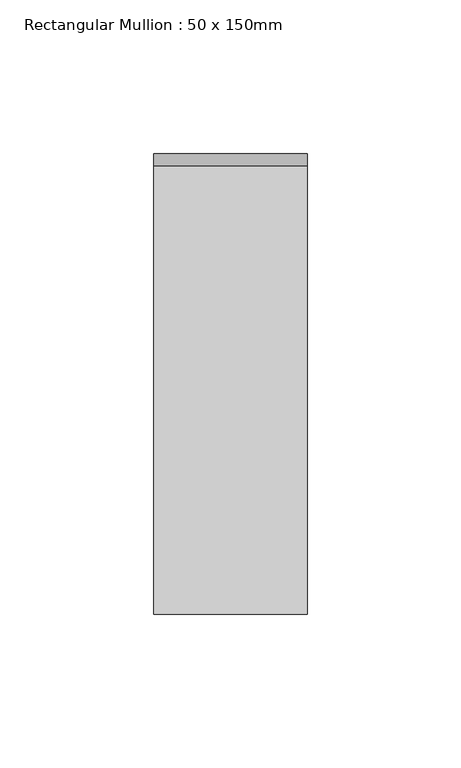
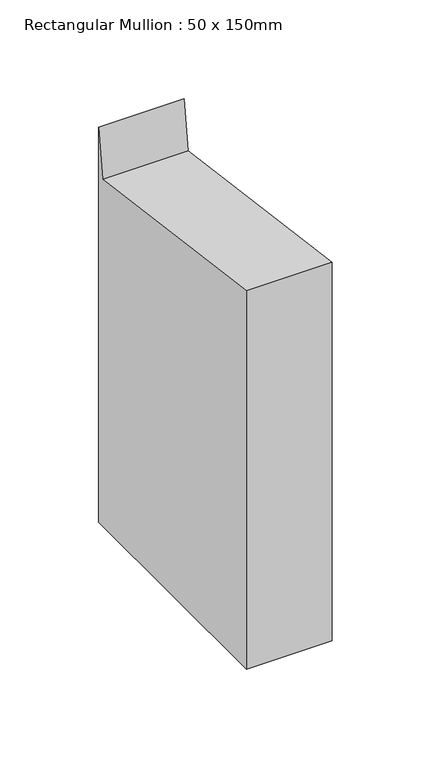
"""IFC4 building model written with IfcOpenShell, lengths in millimetres: member geometry, Rectangular Mullion : 50 x 150mm."""

from ifc_helpers import new_model, si_unit, frame, origin, place, context, project, spatial, polyline, outline, extrude, source, transform, mapped, element, save


def rectangular_mullion_50_x_150mm_da019106(model_context):
    return source(origin(), model_context, "Body", "SweptSolid", [
        extrude(outline(polyline([(-75.0, 9.7896196), (71.0328341, -9.7035513), (75.0, 20.0164197), (75.0, -224.1542008), (-75.0, -224.1542008), (-75.0, 9.7896196)])), frame((-50.0, 0.0, 0.0), z_axis=(1.0, 0.0, 0.0), x_axis=(0.0, 1.0, 0.0)), (0.0, 0.0, 1.0), 50.0),
    ])


if __name__ == "__main__":
    model = new_model("IFC4")
    model_context = context("Model", 3, world=origin())
    ifc_project = project(units=[si_unit("LENGTHUNIT", "METRE", prefix="MILLI")], contexts=[model_context])
    site = spatial("IfcSite", under=ifc_project)
    building = spatial("IfcBuilding", under=site)
    placement = place(None, origin())
    rectangular_mullion_50_x_150mm_shape = rectangular_mullion_50_x_150mm_da019106(model_context)
    element("IfcMember", 1, ObjectType="Rectangular Mullion : 50 x 150mm", at=placement, inside=building, context=model_context, shape_type="MappedRepresentation", body=[
        mapped(rectangular_mullion_50_x_150mm_shape, transform((0.0, 0.0, 0.0), x_axis=(1.0, 0.0, 0.0), y_axis=(0.0, 1.0, 0.0), z_axis=(0.0, 0.0, 1.0))),
    ])
    save(model, "model.ifc")
